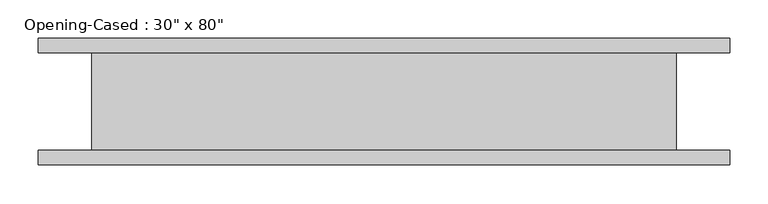
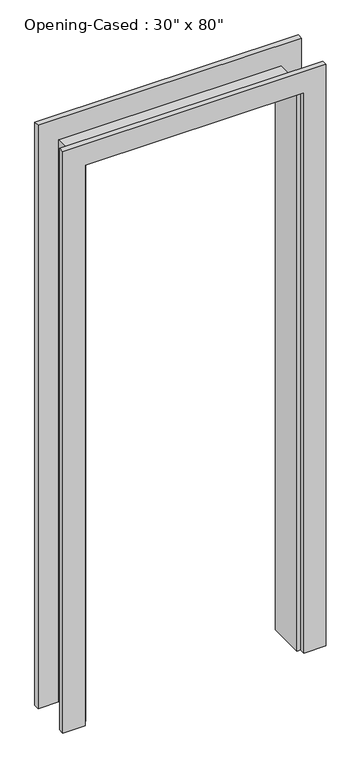
"""IFC4 building model written with IfcOpenShell, lengths in millimetres: proxy geometry."""

from ifc_helpers import new_model, si_unit, frame, origin, place, context, project, spatial, polyline, outline, extrude, faceted_brep, source, transform, mapped, element, save


def proxy_aa9eba7a(model_context):
    return source(origin(), model_context, "Body", "SolidModel", [
        extrude(outline(polyline([(0.0, -382.8386567), (2025.65, -382.8386567), (2025.65, 366.4613433), (0.0, 366.4613433), (0.0, 442.6613433), (2101.85, 442.6613433), (2101.85, -459.0386567), (0.0, -459.0386567), (0.0, -382.8386567)])), frame((0.0, -82.55, 0.0), z_axis=(0.0, 1.0, 0.0), x_axis=(0.0, 0.0, 1.0)), (0.0, 0.0, 1.0), 19.05),
        extrude(outline(polyline([(0.0, 442.6613433), (2108.2, 442.6613433), (2108.2, -459.0386567), (0.0, -459.0386567), (0.0, -382.8386567), (2025.65, -382.8386567), (2025.65, 366.4613433), (0.0, 366.4613433), (0.0, 442.6613433)])), frame((0.0, 63.5, 0.0), z_axis=(0.0, 1.0, 0.0), x_axis=(0.0, 0.0, 1.0)), (0.0, 0.0, 1.0), 19.05),
        faceted_brep([(353.7613433, 63.5, 0.0), (372.8113433, 63.5, 0.0), (372.8113433, -63.5, 0.0), (353.7613433, -63.5, 0.0), (353.7613433, 63.5, 2012.95), (372.8113433, 63.5, 2032.0), (372.8113433, -63.5, 2032.0), (353.7613433, -63.5, 2012.95), (-370.1386567, 63.5, 2012.95), (-389.1886567, 63.5, 2032.0), (-389.1886567, -63.5, 2032.0), (-370.1386567, -63.5, 2012.95), (-370.1386567, 63.5, 0.0), (-370.1386567, -63.5, 0.0), (-389.1886567, -63.5, 0.0), (-389.1886567, 63.5, 0.0)], [[[0, 1, 2, 3]], [[1, 0, 4, 5]], [[2, 1, 5, 6]], [[3, 2, 6, 7]], [[0, 3, 7, 4]], [[5, 4, 8, 9]], [[6, 5, 9, 10]], [[7, 6, 10, 11]], [[4, 7, 11, 8]], [[12, 13, 14, 15]], [[9, 8, 12, 15]], [[10, 9, 15, 14]], [[11, 10, 14, 13]], [[8, 11, 13, 12]]]),
    ])


if __name__ == "__main__":
    model = new_model("IFC4")
    model_context = context("Model", 3, world=origin())
    ifc_project = project(units=[si_unit("LENGTHUNIT", "METRE", prefix="MILLI")], contexts=[model_context])
    site = spatial("IfcSite", under=ifc_project)
    building = spatial("IfcBuilding", under=site)
    placement = place(None, origin())
    proxy_shape = proxy_aa9eba7a(model_context)
    element("IfcBuildingElementProxy", 1, Name="Opening-Cased : 30\" x 80\"", ObjectType="Opening-Cased : 30\" x 80\"", at=placement, inside=building, context=model_context, shape_type="MappedRepresentation", body=[
        mapped(proxy_shape, transform((0.0, 0.0, 0.0), x_axis=(1.0, 0.0, 0.0), y_axis=(0.0, 1.0, 0.0), z_axis=(0.0, 0.0, 1.0))),
    ])
    save(model, "model.ifc")
